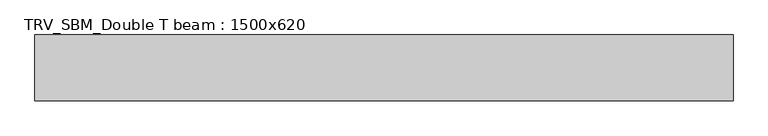
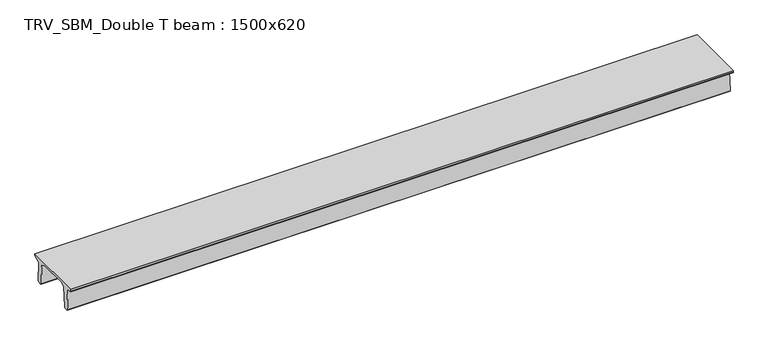
"""IFC4 building model written with IfcOpenShell, lengths in millimetres: beam geometry, TRV_SBM_Double T beam : 1500x620."""

from ifc_helpers import new_model, si_unit, frame, origin, place, context, project, spatial, polyline, outline, extrude, source, transform, mapped, element, save


def trv_sbm_double_t_beam_1500x620_2b83531a(model_context):
    return source(origin(), model_context, "Body", "SweptSolid", [
        extrude(outline(polyline([(-765.0, 215.0), (-765.0, 260.0), (735.0, 260.0), (735.0, 215.0), (728.2094488, 201.315559), (578.0626443, 140.6523122), (594.8277662, -339.4379646), (574.2657308, -360.0), (484.2657308, -360.0), (464.786332, -340.5206011), (447.8600761, 144.18395), (338.3237744, 210.0), (-367.4555014, 210.0), (-476.5389732, 151.9992892), (-507.0080378, -339.3850967), (-527.622941, -360.0), (-615.122941, -360.0), (-637.1143055, -338.0086356), (-606.1572167, 162.687806), (-761.3068466, 204.260024), (-765.0, 215.0)])), frame((-7929.0, 0.0, 0.0), z_axis=(1.0, 0.0, 0.0), x_axis=(0.0, 1.0, 0.0)), (0.0, 0.0, 1.0), 15935.0),
    ])


if __name__ == "__main__":
    model = new_model("IFC4")
    model_context = context("Model", 3, world=origin())
    ifc_project = project(units=[si_unit("LENGTHUNIT", "METRE", prefix="MILLI")], contexts=[model_context])
    site = spatial("IfcSite", under=ifc_project)
    building = spatial("IfcBuilding", under=site)
    placement = place(None, origin())
    trv_sbm_double_t_beam_1500x620_shape = trv_sbm_double_t_beam_1500x620_2b83531a(model_context)
    element("IfcBeam", 1, ObjectType="TRV_SBM_Double T beam : 1500x620", at=placement, inside=building, context=model_context, shape_type="MappedRepresentation", body=[
        mapped(trv_sbm_double_t_beam_1500x620_shape, transform((0.0, 0.0, 0.0), x_axis=(1.0, 0.0, 0.0), y_axis=(0.0, 1.0, 0.0), z_axis=(0.0, 0.0, 1.0))),
    ])
    save(model, "model.ifc")
